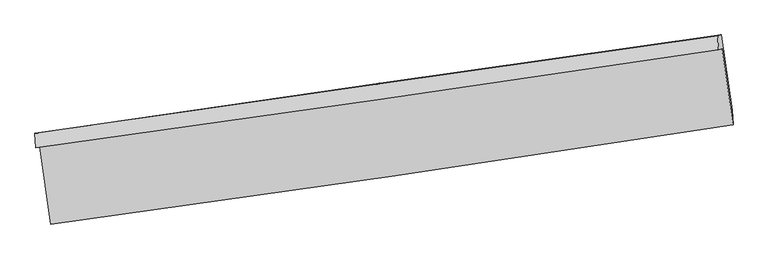
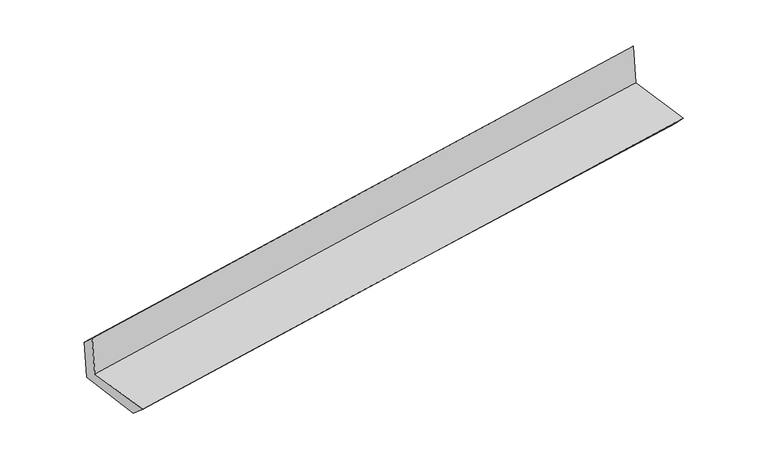
"""IFC4 building model written with IfcOpenShell, lengths in millimetres: proxy geometry."""

from ifc_helpers import new_model, si_unit, frame, origin, place, context, project, spatial, source, transform, mapped, element, save
from ifc_brep_helpers import plane_surface, spline_curve, spline_surface, advanced_brep


def generic_models_dd416779(model_context):
    return source(origin(), model_context, "Body", "AdvancedBrep", [
        advanced_brep(
        [(-3000.8615075, -1915.4987773, 1638.4005733), (-2904.3660453, -2589.4329287, 1635.6416526), (3047.3949791, -1722.9603617, 2132.8861417), (2951.8881272, -1058.9045824, 2140.7013297), (-3032.8696683, -1924.7984455, 2037.4312425), (2919.4802844, -1068.3203743, 2544.7146458), (-3041.0077034, -1797.6848802, 1917.5071965), (2912.4292345, -945.8694803, 2419.7517119), (-3009.3982732, -1791.9488385, 1529.3422103), (2944.4247654, -940.0633744, 2026.845394), (-2914.8942103, -2439.9479748, 1506.0770732), (3040.3903422, -1598.0838757, 2003.2204595)],
        [
            (0, 1),
            (1, 2, spline_curve(3, [(-2904.3660453, -2589.4329287, 1635.6416526), (-1912.145257923, -2455.203129516, 1732.818851278), (-920.055319161, -2315.882267142, 1822.844454218), (1063.865022964, -2027.058100025, 1988.592648341), (2055.695425582, -1877.554773928, 2064.315208768), (3047.3949791, -1722.9603617, 2132.8861417)], [4, 2, 4], [0.0, 9.900249144270118, 19.800519858426576])),
            (2, 3),
            (3, 0, spline_curve(3, [(2951.8881272, -1058.9045824, 2140.7013297), (1959.67176602, -1208.402648443, 2069.602905506), (967.50057569, -1354.534605394, 1992.195244425), (-1016.749302528, -1640.06598896, 1824.761631371), (-2008.827990266, -1779.465430589, 1734.735706947), (-3000.8615075, -1915.4987773, 1638.4005733)], [4, 2, 4], [0.0, 9.900270714156457, 19.800519858426576])),
            (4, 0),
            (3, 5),
            (5, 4, spline_curve(3, [(2919.4802844, -1068.3203743, 2544.7146458), (1927.730219255, -1217.682962527, 2467.803128852), (935.825483376, -1363.737503668, 2387.073703303), (-1048.291168159, -1649.230179327, 2217.979219102), (-2040.503083244, -1788.668329133, 2129.614176947), (-3032.8696683, -1924.7984455, 2037.4312425)], [4, 2, 4], [0.0, 9.900136985997253, 19.800252402399522])),
            (6, 4),
            (5, 7),
            (7, 6, spline_curve(3, [(2912.4292345, -945.8694803, 2419.7517119), (1919.711444329, -1086.090924694, 2338.794425272), (927.232264246, -1227.186342167, 2256.462025148), (-1057.246714234, -1511.124812322, 2089.047180627), (-2049.246513391, -1653.967861877, 2003.96474213), (-3041.0077034, -1797.6848802, 1917.5071965)], [4, 2, 4], [0.0, 9.900001977182216, 19.799982385063593])),
            (8, 6),
            (7, 9),
            (9, 8, spline_curve(3, [(2944.4247654, -940.0633744, 2026.845394), (1951.500852523, -1080.322223225, 1948.419301017), (958.886436136, -1221.442181112, 1867.747608264), (-1025.721242185, -1505.404006551, 1701.913203989), (-2017.714505087, -1648.245869598, 1616.750502237), (-3009.3982732, -1791.9488385, 1529.3422103)], [4, 2, 4], [0.0, 9.899966100503582, 19.799910631784492])),
            (10, 8),
            (9, 11),
            (11, 10, spline_curve(3, [(3040.3903422, -1598.0838757, 2003.2204595), (2047.705886365, -1739.984643238, 1924.735416624), (1055.089405265, -1881.090444504, 1844.064232172), (-930.005445183, -2161.711807199, 1678.34976055), (-1922.483814731, -2301.22737255, 1593.30648285), (-2914.8942103, -2439.9479748, 1506.0770732)], [4, 2, 4], [0.0, 9.899970872915812, 19.799920176598555])),
            (1, 10),
            (11, 2),
        ],
        [
            spline_surface(3, 3, [[(-3000.8615075, -1915.4987773, 1638.4005733), (-2008.827990228, -1779.465430508, 1734.735706985), (-1016.749302434, -1640.065988998, 1824.761631419), (967.500575596, -1354.534605356, 1992.195244376), (1959.671766048, -1208.402648585, 2069.602905412), (2951.8881272, -1058.9045824, 2140.7013297)], [(-2968.696353457, -2140.143494423, 1637.48093307), (-1976.60041284, -2004.711330194, 1734.096755122), (-984.517974674, -1865.338081667, 1824.122572329), (999.622058035, -1578.709103635, 1990.994379028), (1991.679652539, -1431.453356987, 2067.84033981), (2983.723744513, -1280.256508839, 2138.096267026)], [(-2936.531199343, -2364.788211577, 1636.56129283), (-1944.37283538, -2229.95722991, 1733.45780325), (-952.286646892, -2090.610174319, 1823.483513278), (1031.743540496, -1802.883601899, 1989.79351372), (2023.687538991, -1654.504065372, 2066.07777423), (3015.559361787, -1501.608435261, 2135.491204374)], [(-2904.3660453, -2589.4329287, 1635.6416526), (-1912.145257992, -2455.203129596, 1732.818851387), (-920.055319132, -2315.882266988, 1822.844454188), (1063.865022935, -2027.058100178, 1988.592648372), (2055.695425481, -1877.554773774, 2064.315208629), (3047.3949791, -1722.9603617, 2132.8861417)]], [4, 4], [4, 2, 4], [0.0, 2.234419466310764], [0.0, 9.900249144270118, 19.800519858426576]),
            spline_surface(3, 3, [[(-3032.8696683, -1924.7984455, 2037.4312425), (-2040.503083233, -1788.668329013, 2129.614176812), (-1048.291168181, -1649.230179477, 2217.979219011), (935.825483398, -1363.737503519, 2387.073703394), (1927.730219236, -1217.6829626, 2467.803129002), (2919.4802844, -1068.3203743, 2544.7146458)], [(-3022.200281363, -1921.698556116, 1904.421019423), (-2029.944718895, -1785.600696194, 1997.988020193), (-1037.77721295, -1646.175449304, 2086.906689819), (946.383847446, -1360.669870785, 2255.447550393), (1938.377401498, -1214.589524574, 2335.069721147), (2930.282898658, -1065.181776979, 2410.043540441)], [(-3011.530894437, -1918.598666684, 1771.410796377), (-2019.386354566, -1782.533063327, 1866.361863604), (-1027.263257665, -1643.120719171, 1955.834160612), (956.942211548, -1357.60223809, 2123.821397377), (1949.024583786, -1211.496086611, 2202.336313268), (2941.085512942, -1062.043179721, 2275.372435059)], [(-3000.8615075, -1915.4987773, 1638.4005733), (-2008.827990228, -1779.465430508, 1734.735706985), (-1016.749302434, -1640.065988998, 1824.761631419), (967.500575596, -1354.534605356, 1992.195244376), (1959.671766048, -1208.402648585, 2069.602905412), (2951.8881272, -1058.9045824, 2140.7013297)]], [4, 4], [4, 2, 4], [0.0, 1.2973109687985218], [0.0, 9.900115416402269, 19.800252402399522]),
            spline_surface(3, 3, [[(-3041.0077034, -1797.6848802, 1917.5071965), (-2049.246513258, -1653.967861895, 2003.964742212), (-1057.246714124, -1511.124812461, 2089.047180664), (927.232264135, -1227.186342028, 2256.462025111), (1919.711444304, -1086.090924811, 2338.79442515), (2912.4292345, -945.8694803, 2419.7517119)], [(-3038.295025018, -1840.056068624, 1957.48187849), (-2046.332036567, -1698.868017592, 2045.847887069), (-1054.261532136, -1557.159934807, 2132.024526797), (930.096670563, -1272.703395866, 2299.999251222), (1922.384369304, -1129.954937416, 2381.797326416), (2914.77958449, -986.686444975, 2461.406023182)], [(-3035.582346682, -1882.427257076, 1997.45656051), (-2043.417559924, -1743.768173317, 2087.731031956), (-1051.27635017, -1603.19505713, 2175.001872879), (932.96107697, -1318.220449681, 2343.536477283), (1925.057294235, -1173.818949995, 2424.800227736), (2917.12993441, -1027.503409625, 2503.060334518)], [(-3032.8696683, -1924.7984455, 2037.4312425), (-2040.503083233, -1788.668329013, 2129.614176812), (-1048.291168181, -1649.230179477, 2217.979219011), (935.825483398, -1363.737503519, 2387.073703394), (1927.730219236, -1217.6829626, 2467.803129002), (2919.4802844, -1068.3203743, 2544.7146458)]], [4, 4], [4, 2, 4], [0.0, 0.6205626677688936], [0.0, 9.899980407881378, 19.799982385063593]),
            spline_surface(3, 3, [[(-3009.3982732, -1791.9488385, 1529.3422103), (-2017.714505144, -1648.245869683, 1616.750502123), (-1025.721242124, -1505.404006389, 1701.913203948), (958.886436075, -1221.442181274, 1867.747608306), (1951.50085256, -1080.322223194, 1948.419301035), (2944.4247654, -940.0633744, 2026.845394)], [(-3019.934749931, -1793.860852384, 1658.730539045), (-2028.225174513, -1650.153200405, 1745.821915498), (-1036.229732795, -1507.310941751, 1830.957862835), (948.335045423, -1223.35690153, 1997.319080555), (1940.904383127, -1082.245123723, 2078.5443424), (2933.75958842, -941.998743023, 2157.814166626)], [(-3030.471226669, -1795.772866316, 1788.118867755), (-2038.735843889, -1652.060531174, 1874.893328837), (-1046.738223452, -1509.217877099, 1960.002521777), (937.783654787, -1225.271621772, 2126.890552861), (1930.307913736, -1084.168024282, 2208.669383785), (2923.09441148, -943.934111677, 2288.782939274)], [(-3041.0077034, -1797.6848802, 1917.5071965), (-2049.246513258, -1653.967861895, 2003.964742212), (-1057.246714124, -1511.124812461, 2089.047180664), (927.232264135, -1227.186342028, 2256.462025111), (1919.711444304, -1086.090924811, 2338.79442515), (2912.4292345, -945.8694803, 2419.7517119)]], [4, 4], [4, 2, 4], [0.0, 1.277068612552694], [0.0, 9.89994453128091, 19.799910631784492]),
            spline_surface(3, 3, [[(-2914.8942103, -2439.9479748, 1506.0770732), (-1922.483814893, -2301.227372679, 1593.306482926), (-930.005445227, -2161.711807291, 1678.349760552), (1055.089405309, -1881.090444411, 1844.06423217), (2047.705886479, -1739.984643386, 1924.73541666), (3040.3903422, -1598.0838757, 2003.2204595)], [(-2946.39556461, -2223.948262725, 1513.832118906), (-1954.227378321, -2083.566871705, 1601.121155998), (-961.910710863, -1942.942540319, 1686.204241691), (1023.021748894, -1661.207690027, 1851.958690889), (2015.637541844, -1520.097169994, 1932.630044806), (3008.401816605, -1378.743708606, 2011.095437687)], [(-2977.89691889, -2007.948550575, 1521.587164594), (-1985.970941717, -1865.906370657, 1608.935829051), (-993.815976488, -1724.173273362, 1694.058722809), (990.95409249, -1441.324935659, 1859.853149587), (1983.569197194, -1300.209696586, 1940.524672889), (2976.413290995, -1159.403541494, 2018.970415813)], [(-3009.3982732, -1791.9488385, 1529.3422103), (-2017.714505144, -1648.245869683, 1616.750502123), (-1025.721242124, -1505.404006389, 1701.913203948), (958.886436075, -1221.442181274, 1867.747608306), (1951.50085256, -1080.322223194, 1948.419301035), (2944.4247654, -940.0633744, 2026.845394)]], [4, 4], [4, 2, 4], [0.0, 2.182933307709547], [0.0, 9.899949303682742, 19.799920176598555]),
            spline_surface(3, 3, [[(-2904.3660453, -2589.4329287, 1635.6416526), (-1912.145257992, -2455.203129596, 1732.818851387), (-920.055319132, -2315.882266988, 1822.844454188), (1063.865022935, -2027.058100178, 1988.592648372), (2055.695425481, -1877.554773774, 2064.315208629), (3047.3949791, -1722.9603617, 2132.8861417)], [(-2907.87543362, -2539.604610727, 1592.453459466), (-1915.591443613, -2403.877877284, 1686.314728566), (-923.372027804, -2264.492113757, 1774.679556312), (1060.939817086, -1978.402214923, 1940.416509641), (2053.032245795, -1831.698063656, 2017.788611309), (3045.060100115, -1681.334866378, 2089.664247637)], [(-2911.38482198, -2489.776292773, 1549.265266334), (-1919.037629273, -2352.55262499, 1639.810605747), (-926.688736555, -2213.101960523, 1726.514658428), (1058.014611157, -1929.746329666, 1892.240370901), (2050.369066164, -1785.841353504, 1971.262013979), (3042.725221185, -1639.709371022, 2046.442353563)], [(-2914.8942103, -2439.9479748, 1506.0770732), (-1922.483814893, -2301.227372679, 1593.306482926), (-930.005445227, -2161.711807291, 1678.349760552), (1055.089405309, -1881.090444411, 1844.06423217), (2047.705886479, -1739.984643386, 1924.73541666), (3040.3903422, -1598.0838757, 2003.2204595)]], [4, 4], [4, 2, 4], [0.0, 0.68421026978716], [0.0, 9.900073866095935, 19.80016930169633]),
            plane_surface(frame((2969.3346221, -1222.3670081, 2211.3532804), z_axis=(0.9865834577705533, 0.14092389921021145, 0.08242290631183247), x_axis=(-0.08115550541782013, -0.014726977254002014, 0.9965926450066438))),
            plane_surface(frame((-2983.899568, -2076.5519741, 1710.7333247), z_axis=(-0.9865834577702806, -0.14092389921200096, -0.08242290631203708), x_axis=(-0.14173565144937264, 0.9898962487194068, 0.004052391820658595))),
        ],
        [
            (0, [[1, 2, 3, 4]]),
            (1, [[5, -4, 6, 7]]),
            (2, [[8, -7, 9, 10]]),
            (3, [[11, -10, 12, 13]]),
            (4, [[14, -13, 15, 16]]),
            (5, [[17, -16, 18, -2]]),
            (6, [[-12, -9, -6, -3, -18, -15]]),
            (7, [[-1, -5, -8, -11, -14, -17]]),
        ],
    ),
    ])


if __name__ == "__main__":
    model = new_model("IFC4")
    model_context = context("Model", 3, world=origin())
    ifc_project = project(units=[si_unit("LENGTHUNIT", "METRE", prefix="MILLI")], contexts=[model_context])
    site = spatial("IfcSite", under=ifc_project)
    building = spatial("IfcBuilding", under=site)
    placement = place(None, origin())
    generic_models_shape = generic_models_dd416779(model_context)
    element("IfcBuildingElementProxy", 1, Name="Generic Models", at=placement, inside=building, context=model_context, shape_type="MappedRepresentation", body=[
        mapped(generic_models_shape, transform((0.0, 0.0, 0.0), x_axis=(1.0, 0.0, 0.0), y_axis=(0.0, 1.0, 0.0), z_axis=(0.0, 0.0, 1.0))),
    ])
    save(model, "model.ifc")
